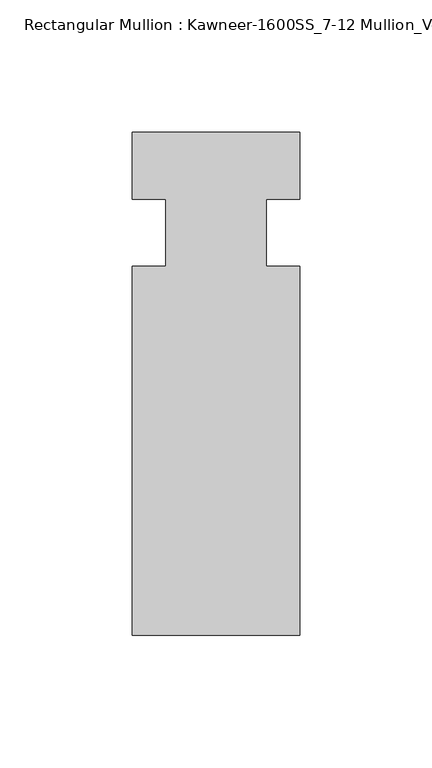
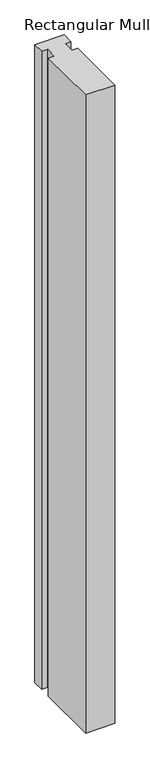
"""IFC4 building model written with IfcOpenShell, lengths in millimetres: member geometry, Rectangular Mullion : Kawneer-1600SS_7-12 Mullion_Vertical."""

from ifc_helpers import new_model, si_unit, frame, origin, place, context, project, spatial, polyline, outline, extrude, source, transform, mapped, element, save


def rectangular_mullion_kawneer_1600ss_7_12_mullion_vertical_f2b49de1(model_context):
    return source(origin(), model_context, "Body", "SweptSolid", [
        extrude(outline(polyline([(36.0844027, -152.4), (-27.4155973, -152.4), (-27.4155973, -12.7), (-14.7155973, -12.7), (-14.7155973, 12.7), (-27.4155973, 12.7), (-27.4155973, 38.1), (36.0844027, 38.1), (36.0844027, 12.7), (23.3826322, 12.7), (23.3826322, -12.7), (36.0844027, -12.7), (36.0844027, -152.4)])), frame((0.0, 0.0, -1463.04), z_axis=(0.0, 0.0, 1.0), x_axis=(1.0, 0.0, 0.0)), (0.0, 0.0, 1.0), 1463.04),
    ])


if __name__ == "__main__":
    model = new_model("IFC4")
    model_context = context("Model", 3, world=origin())
    ifc_project = project(units=[si_unit("LENGTHUNIT", "METRE", prefix="MILLI")], contexts=[model_context])
    site = spatial("IfcSite", under=ifc_project)
    building = spatial("IfcBuilding", under=site)
    placement = place(None, origin())
    rectangular_mullion_kawneer_1600ss_7_12_mullion_vertical_shape = rectangular_mullion_kawneer_1600ss_7_12_mullion_vertical_f2b49de1(model_context)
    element("IfcMember", 1, ObjectType="Rectangular Mullion : Kawneer-1600SS_7-12 Mullion_Vertical", at=placement, inside=building, context=model_context, shape_type="MappedRepresentation", body=[
        mapped(rectangular_mullion_kawneer_1600ss_7_12_mullion_vertical_shape, transform((0.0, 0.0, 0.0), x_axis=(1.0, 0.0, 0.0), y_axis=(0.0, 1.0, 0.0), z_axis=(0.0, 0.0, 1.0))),
    ])
    save(model, "model.ifc")
